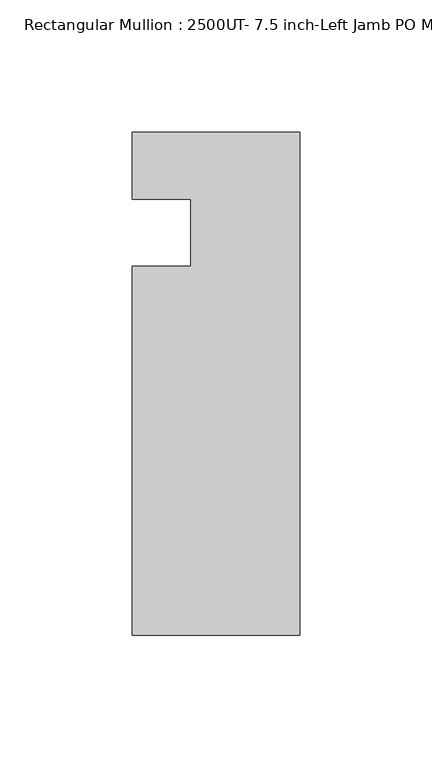
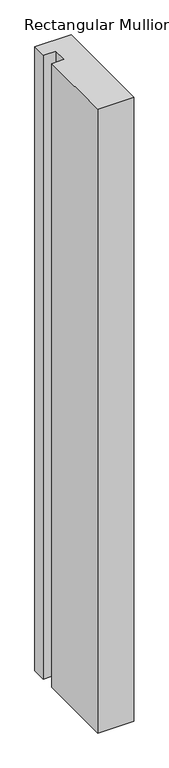
"""IFC4 building model written with IfcOpenShell, lengths in millimetres: member geometry, Rectangular Mullion : 2500UT- 7.5 inch-Left Jamb PO Mullion."""

from ifc_helpers import new_model, si_unit, frame, origin, place, context, project, spatial, polyline, outline, extrude, source, transform, mapped, element, save


def rectangular_mullion_2500ut_7_5_inch_left_jamb_po_mullion_3bfe6eb5(model_context):
    return source(origin(), model_context, "Body", "SweptSolid", [
        extrude(outline(polyline([(32.2226911, 38.1), (32.2226911, -152.399995), (-31.2773089, -152.399995), (-31.2773089, -12.7), (-9.0523089, -12.7), (-9.0523089, 12.7309282), (-31.2773089, 12.7309282), (-31.2773089, 38.1), (32.2226911, 38.1)])), frame((0.0, 0.0, -1154.90625), z_axis=(0.0, 0.0, 1.0), x_axis=(1.0, 0.0, 0.0)), (0.0, 0.0, 1.0), 1154.90625),
    ])


if __name__ == "__main__":
    model = new_model("IFC4")
    model_context = context("Model", 3, world=origin())
    ifc_project = project(units=[si_unit("LENGTHUNIT", "METRE", prefix="MILLI")], contexts=[model_context])
    site = spatial("IfcSite", under=ifc_project)
    building = spatial("IfcBuilding", under=site)
    placement = place(None, origin())
    rectangular_mullion_2500ut_7_5_inch_left_jamb_po_mullion_shape = rectangular_mullion_2500ut_7_5_inch_left_jamb_po_mullion_3bfe6eb5(model_context)
    element("IfcMember", 1, ObjectType="Rectangular Mullion : 2500UT- 7.5 inch-Left Jamb PO Mullion", at=placement, inside=building, context=model_context, shape_type="MappedRepresentation", body=[
        mapped(rectangular_mullion_2500ut_7_5_inch_left_jamb_po_mullion_shape, transform((0.0, 0.0, 0.0), x_axis=(1.0, 0.0, 0.0), y_axis=(0.0, 1.0, 0.0), z_axis=(0.0, 0.0, 1.0))),
    ])
    save(model, "model.ifc")
